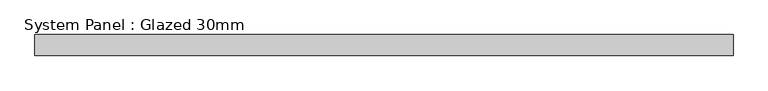
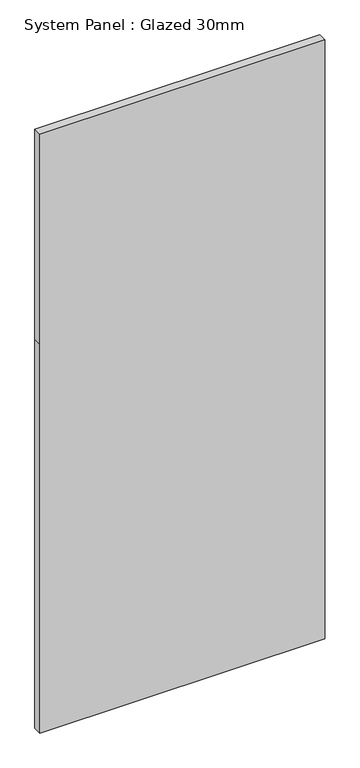
"""IFC4 building model written with IfcOpenShell, lengths in millimetres: plate geometry, System Panel : Glazed 30mm."""

from ifc_helpers import new_model, si_unit, frame, origin, place, context, project, spatial, polyline, outline, extrude, source, transform, mapped, element, save


def system_panel_glazed_30mm_8cb7f52d(model_context):
    return source(origin(), model_context, "Body", "SweptSolid", [
        extrude(outline(polyline([(0.0, -499.520932), (0.0, 499.520932), (1440.5191706, 499.520932), (2218.9721213, 499.520932), (2218.9721213, -499.520932), (1440.5191706, -499.520932), (0.0, -499.520932)])), frame((0.0, -15.0, 0.0), z_axis=(0.0, 1.0, 0.0), x_axis=(0.0, 0.0, 1.0)), (0.0, 0.0, 1.0), 30.0),
    ])


if __name__ == "__main__":
    model = new_model("IFC4")
    model_context = context("Model", 3, world=origin())
    ifc_project = project(units=[si_unit("LENGTHUNIT", "METRE", prefix="MILLI")], contexts=[model_context])
    site = spatial("IfcSite", under=ifc_project)
    building = spatial("IfcBuilding", under=site)
    placement = place(None, origin())
    system_panel_glazed_30mm_shape = system_panel_glazed_30mm_8cb7f52d(model_context)
    element("IfcPlate", 1, ObjectType="System Panel : Glazed 30mm", at=placement, inside=building, context=model_context, shape_type="MappedRepresentation", body=[
        mapped(system_panel_glazed_30mm_shape, transform((0.0, 0.0, 0.0), x_axis=(1.0, 0.0, 0.0), y_axis=(0.0, 1.0, 0.0), z_axis=(0.0, 0.0, 1.0))),
    ])
    save(model, "model.ifc")
